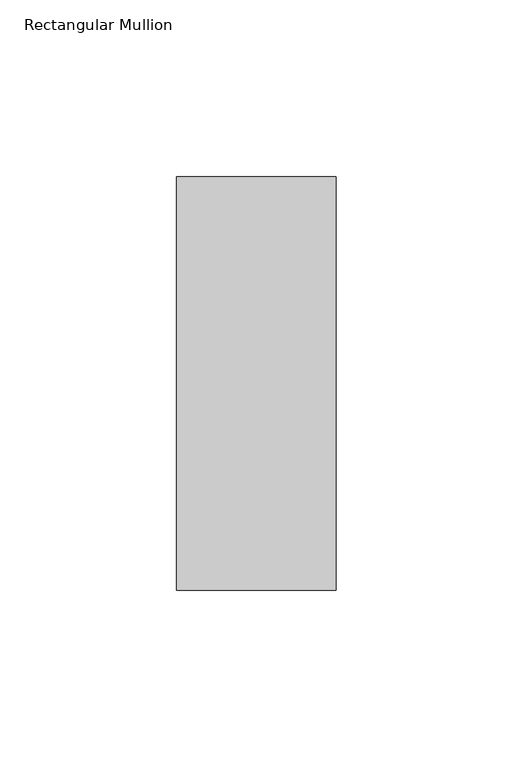
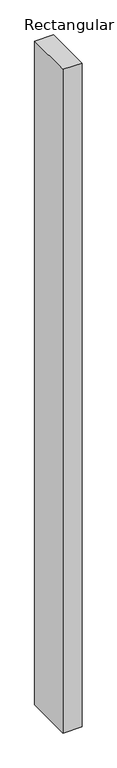
"""IFC4 building model written with IfcOpenShell, lengths in millimetres: member geometry, Rectangular Mullion."""

from ifc_helpers import new_model, si_unit, frame, origin, place, context, project, spatial, polyline, outline, extrude, source, transform, mapped, element, save


def rectangular_mullion_c3fa8928(model_context):
    return source(origin(), model_context, "Body", "SweptSolid", [
        extrude(outline(polyline([(22.5226562, 73.875), (22.5226562, -42.8257813), (-22.5226562, -42.8257813), (-22.5226562, 73.875), (22.5226562, 73.875)])), frame((0.0, 0.0, -1665.2701476), z_axis=(0.0, 0.0, 1.0), x_axis=(1.0, 0.0, 0.0)), (0.0, 0.0, 1.0), 1665.2701476),
    ])


if __name__ == "__main__":
    model = new_model("IFC4")
    model_context = context("Model", 3, world=origin())
    ifc_project = project(units=[si_unit("LENGTHUNIT", "METRE", prefix="MILLI")], contexts=[model_context])
    site = spatial("IfcSite", under=ifc_project)
    building = spatial("IfcBuilding", under=site)
    placement = place(None, origin())
    rectangular_mullion_shape = rectangular_mullion_c3fa8928(model_context)
    element("IfcMember", 1, ObjectType="Rectangular Mullion", at=placement, inside=building, context=model_context, shape_type="MappedRepresentation", body=[
        mapped(rectangular_mullion_shape, transform((0.0, 0.0, 0.0), x_axis=(1.0, 0.0, 0.0), y_axis=(0.0, 1.0, 0.0), z_axis=(0.0, 0.0, 1.0))),
    ])
    save(model, "model.ifc")
